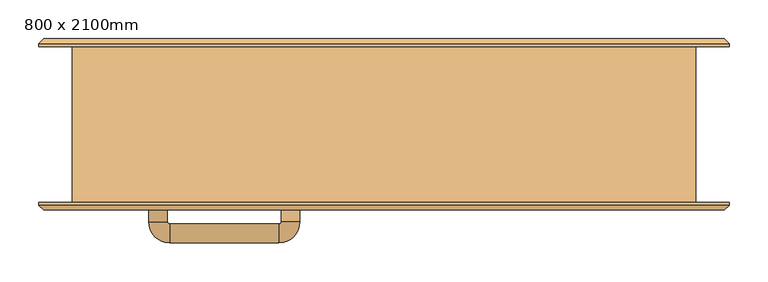
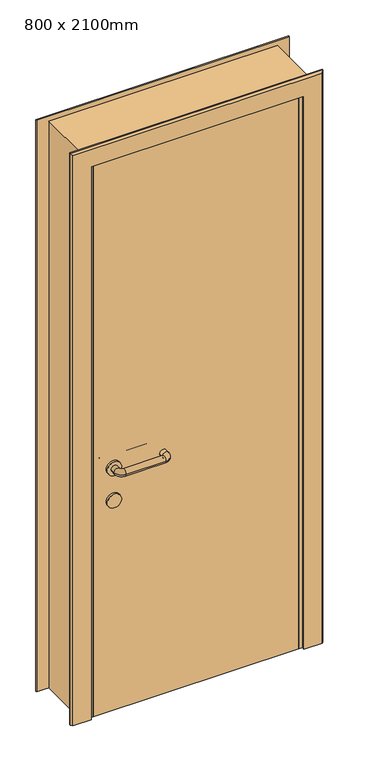
"""IFC4 building model written with IfcOpenShell, lengths in millimetres: door geometry, 800 x 2100mm."""

from ifc_helpers import new_model, si_unit, point, frame, frame_2d, origin, origin_with_axes, place, context, project, spatial, polyline, circle_curve, ellipse_curve, trimmed, segment, composite_curve, outline, extrude, faceted_brep, source, transform, mapped, element, save
from ifc_brep_helpers import plane_surface, cylinder_surface, revolved_surface, advanced_brep


def door_800_x_2100mm_bc8d993b(model_context):
    return source(origin(), model_context, "Body", "SolidModel", [
        advanced_brep(
        [(-278.0, -57.0, 900.0), (-302.0, -57.0, 900.0), (-278.0, -40.0, 900.0), (-302.0, -40.0, 900.0), (-275.0, -13.0, 900.0), (-275.0, -37.0, 900.0), (-135.0, -37.0, 900.0), (-135.0, -13.0, 900.0), (-108.0, -40.0, 900.0), (-132.0, -40.0, 900.0), (-132.0, -55.0, 900.0), (-108.0, -55.0, 900.0)],
        [
            (0, 1, circle_curve(frame((-290.0, -57.0, 900.0), z_axis=(0.0, -1.0, 0.0), x_axis=(-1.0, 0.0, 0.0)), 12.0)),
            (1, 0, circle_curve(frame((-290.0, -57.0, 900.0), z_axis=(0.0, -1.0, 0.0), x_axis=(-1.0, 0.0, 0.0)), 12.0)),
            (0, 2),
            (2, 3, circle_curve(frame((-290.0, -40.0, 900.0), z_axis=(0.0, -1.0, 0.0), x_axis=(-1.0, 0.0, 0.0)), 12.0)),
            (3, 1),
            (3, 2, circle_curve(frame((-290.0, -40.0, 900.0), z_axis=(0.0, -1.0, 0.0), x_axis=(-1.0, 0.0, 0.0)), 12.0)),
            (4, 3, circle_curve(frame((-275.0, -40.0, 900.0), z_axis=(0.0, 0.0, 1.0), x_axis=(-1.0, 0.0, 0.0)), 27.0)),
            (2, 5, circle_curve(frame((-275.0, -40.0, 900.0), z_axis=(0.0, 0.0, -1.0), x_axis=(-1.0, 0.0, 0.0)), 3.0)),
            (5, 4, circle_curve(frame((-275.0, -25.0, 900.0), z_axis=(-1.0, 0.0, 0.0), x_axis=(0.0, 1.0, 0.0)), 12.0)),
            (4, 5, circle_curve(frame((-275.0, -25.0, 900.0), z_axis=(-1.0, 0.0, 0.0), x_axis=(0.0, 1.0, 0.0)), 12.0)),
            (5, 6),
            (6, 7, circle_curve(frame((-135.0, -25.0, 900.0), z_axis=(-1.0, 0.0, 0.0), x_axis=(0.0, 1.0, 0.0)), 12.0)),
            (7, 4),
            (7, 6, circle_curve(frame((-135.0, -25.0, 900.0), z_axis=(-1.0, 0.0, 0.0), x_axis=(0.0, 1.0, 0.0)), 12.0)),
            (8, 7, circle_curve(frame((-135.0, -40.0, 900.0), z_axis=(0.0, 0.0, 1.0), x_axis=(0.0, 1.0, 0.0)), 27.0)),
            (6, 9, circle_curve(frame((-135.0, -40.0, 900.0), z_axis=(0.0, 0.0, -1.0), x_axis=(0.0, 1.0, 0.0)), 3.0)),
            (9, 8, circle_curve(frame((-120.0, -40.0, 900.0), z_axis=(0.0, 1.0, 0.0), x_axis=(1.0, 0.0, 0.0)), 12.0)),
            (8, 9, circle_curve(frame((-120.0, -40.0, 900.0), z_axis=(0.0, 1.0, 0.0), x_axis=(1.0, 0.0, 0.0)), 12.0)),
            (10, 11, circle_curve(frame((-120.0, -55.0, 900.0), z_axis=(0.0, -1.0, 0.0), x_axis=(1.0, 0.0, 0.0)), 12.0)),
            (11, 10, circle_curve(frame((-120.0, -55.0, 900.0), z_axis=(0.0, -1.0, 0.0), x_axis=(1.0, 0.0, 0.0)), 12.0)),
            (9, 10),
            (11, 8),
        ],
        [
            plane_surface(frame((-1132.0, -57.0, 1730.0), z_axis=(0.0, -1.0, 0.0), x_axis=(0.0, 0.0, 1.0))),
            cylinder_surface(frame((-290.0, -57.0, 900.0), z_axis=(0.0, -1.0, 0.0), x_axis=(-1.0, 0.0, 0.0)), 12.0),
            revolved_surface(trimmed(ellipse_curve(frame((-290.0, -40.0, 900.0), z_axis=(0.0, -1.0, 0.0), x_axis=(-1.0, 0.0, 0.0)), 12.0, 12.0), [point((-278.0, -40.0, 900.0))], [point((-302.0, -40.0, 900.0))], True, "CARTESIAN"), (-275.0, -40.0, 1730.0), (0.0, 0.0, -1.0)),
            revolved_surface(trimmed(ellipse_curve(frame((-290.0, -40.0, 900.0), z_axis=(0.0, -1.0, 0.0), x_axis=(-1.0, 0.0, 0.0)), 12.0, 12.0), [point((-302.0, -40.0, 900.0))], [point((-278.0, -40.0, 900.0))], True, "CARTESIAN"), (-275.0, -40.0, 1730.0), (0.0, 0.0, -1.0)),
            cylinder_surface(frame((-275.0, -25.0, 900.0), z_axis=(-1.0, 0.0, 0.0), x_axis=(0.0, 1.0, 0.0)), 12.0),
            revolved_surface(trimmed(ellipse_curve(frame((-135.0, -25.0, 900.0), z_axis=(-1.0, 0.0, 0.0), x_axis=(0.0, 1.0, 0.0)), 12.0, 12.0), [point((-135.0, -37.0, 900.0))], [point((-135.0, -13.0, 900.0))], True, "CARTESIAN"), (-135.0, -40.0, 1730.0), (0.0, 0.0, -1.0)),
            revolved_surface(trimmed(ellipse_curve(frame((-135.0, -25.0, 900.0), z_axis=(-1.0, 0.0, 0.0), x_axis=(0.0, 1.0, 0.0)), 12.0, 12.0), [point((-135.0, -13.0, 900.0))], [point((-135.0, -37.0, 900.0))], True, "CARTESIAN"), (-135.0, -40.0, 1730.0), (0.0, 0.0, -1.0)),
            plane_surface(frame((-962.0, -55.0, 1730.0), z_axis=(0.0, -1.0, 0.0), x_axis=(0.0, 0.0, -1.0))),
            cylinder_surface(frame((-120.0, -40.0, 900.0), z_axis=(0.0, 1.0, 0.0), x_axis=(1.0, 0.0, 0.0)), 12.0),
        ],
        [
            (0, [[1, 2]]),
            (1, [[-1, 3, 4, 5]]),
            (1, [[-2, -5, 6, -3]]),
            (2, [[7, -4, 8, 9]]),
            (3, [[-8, -6, -7, 10]]),
            (4, [[-9, 11, 12, 13]]),
            (4, [[-10, -13, 14, -11]]),
            (5, [[15, -12, 16, 17]]),
            (6, [[-16, -14, -15, 18]]),
            (7, [[19, 20]]),
            (8, [[-17, 21, -20, 22]]),
            (8, [[-18, -22, -19, -21]]),
        ],
    ),
        extrude(outline(composite_curve([segment(trimmed(circle_curve(frame_2d((780.0, -290.0)), 25.0), [point((780.0, -315.0))], [point((780.0, -265.0))], False, "CARTESIAN"), True, "CONTINUOUS"), segment(trimmed(circle_curve(frame_2d((780.0, -290.0)), 25.0), [point((780.0, -265.0))], [point((780.0, -315.0))], False, "CARTESIAN"), True, "CONTINUOUS")], self_intersect=False)), frame((0.0, -65.0, 0.0), z_axis=(0.0, 1.0, 0.0), x_axis=(0.0, 0.0, 1.0)), (0.0, 0.0, 1.0), 8.0),
        extrude(outline(composite_curve([segment(trimmed(circle_curve(frame_2d((900.0, -290.0)), 25.0), [point((900.0, -315.0))], [point((900.0, -265.0))], False, "CARTESIAN"), True, "CONTINUOUS"), segment(trimmed(circle_curve(frame_2d((900.0, -290.0)), 25.0), [point((900.0, -265.0))], [point((900.0, -315.0))], False, "CARTESIAN"), True, "CONTINUOUS")], self_intersect=False)), frame((0.0, -65.0, 0.0), z_axis=(0.0, 1.0, 0.0), x_axis=(0.0, 0.0, 1.0)), (0.0, 0.0, 1.0), 8.0),
        advanced_brep(
        [(-302.0, -108.0, 900.0), (-278.0, -108.0, 900.0), (-302.0, -125.0, 900.0), (-278.0, -125.0, 900.0), (-275.0, -128.0, 900.0), (-275.0, -152.0, 900.0), (-135.0, -152.0, 900.0), (-135.0, -128.0, 900.0), (-132.0, -125.0, 900.0), (-108.0, -125.0, 900.0), (-108.0, -110.0, 900.0), (-132.0, -110.0, 900.0)],
        [
            (0, 1, circle_curve(frame((-290.0, -108.0, 900.0), z_axis=(0.0, 1.0, 0.0), x_axis=(1.0, 0.0, 0.0)), 12.0)),
            (1, 0, circle_curve(frame((-290.0, -108.0, 900.0), z_axis=(0.0, 1.0, 0.0), x_axis=(1.0, 0.0, 0.0)), 12.0)),
            (0, 2),
            (2, 3, circle_curve(frame((-290.0, -125.0, 900.0), z_axis=(0.0, 1.0, 0.0), x_axis=(1.0, 0.0, 0.0)), 12.0)),
            (3, 1),
            (3, 2, circle_curve(frame((-290.0, -125.0, 900.0), z_axis=(0.0, 1.0, 0.0), x_axis=(1.0, 0.0, 0.0)), 12.0)),
            (4, 3, circle_curve(frame((-275.0, -125.0, 900.0), z_axis=(0.0, 0.0, -1.0), x_axis=(-1.0, 0.0, 0.0)), 3.0)),
            (2, 5, circle_curve(frame((-275.0, -125.0, 900.0), z_axis=(0.0, 0.0, 1.0), x_axis=(-1.0, 0.0, 0.0)), 27.0)),
            (5, 4, circle_curve(frame((-275.0, -140.0, 900.0), z_axis=(-1.0, 0.0, 0.0), x_axis=(0.0, 1.0, 0.0)), 12.0)),
            (4, 5, circle_curve(frame((-275.0, -140.0, 900.0), z_axis=(-1.0, 0.0, 0.0), x_axis=(0.0, 1.0, 0.0)), 12.0)),
            (5, 6),
            (6, 7, circle_curve(frame((-135.0, -140.0, 900.0), z_axis=(-1.0, 0.0, 0.0), x_axis=(0.0, 1.0, 0.0)), 12.0)),
            (7, 4),
            (7, 6, circle_curve(frame((-135.0, -140.0, 900.0), z_axis=(-1.0, 0.0, 0.0), x_axis=(0.0, 1.0, 0.0)), 12.0)),
            (8, 7, circle_curve(frame((-135.0, -125.0, 900.0), z_axis=(0.0, 0.0, -1.0), x_axis=(0.0, -1.0, 0.0)), 3.0)),
            (6, 9, circle_curve(frame((-135.0, -125.0, 900.0), z_axis=(0.0, 0.0, 1.0), x_axis=(0.0, -1.0, 0.0)), 27.0)),
            (9, 8, circle_curve(frame((-120.0, -125.0, 900.0), z_axis=(0.0, -1.0, 0.0), x_axis=(-1.0, 0.0, 0.0)), 12.0)),
            (8, 9, circle_curve(frame((-120.0, -125.0, 900.0), z_axis=(0.0, -1.0, 0.0), x_axis=(-1.0, 0.0, 0.0)), 12.0)),
            (10, 11, circle_curve(frame((-120.0, -110.0, 900.0), z_axis=(0.0, 1.0, 0.0), x_axis=(-1.0, 0.0, 0.0)), 12.0)),
            (11, 10, circle_curve(frame((-120.0, -110.0, 900.0), z_axis=(0.0, 1.0, 0.0), x_axis=(-1.0, 0.0, 0.0)), 12.0)),
            (9, 10),
            (11, 8),
        ],
        [
            plane_surface(frame((-1132.0, -108.0, 1730.0), z_axis=(0.0, 1.0, 0.0), x_axis=(0.0, 0.0, -1.0))),
            cylinder_surface(frame((-290.0, -108.0, 900.0), z_axis=(0.0, 1.0, 0.0), x_axis=(1.0, 0.0, 0.0)), 12.0),
            revolved_surface(trimmed(ellipse_curve(frame((-290.0, -125.0, 900.0), z_axis=(0.0, 1.0, 0.0), x_axis=(1.0, 0.0, 0.0)), 12.0, 12.0), [point((-302.0, -125.0, 900.0))], [point((-278.0, -125.0, 900.0))], True, "CARTESIAN"), (-275.0, -125.0, 1730.0), (0.0, 0.0, 1.0)),
            revolved_surface(trimmed(ellipse_curve(frame((-290.0, -125.0, 900.0), z_axis=(0.0, 1.0, 0.0), x_axis=(1.0, 0.0, 0.0)), 12.0, 12.0), [point((-278.0, -125.0, 900.0))], [point((-302.0, -125.0, 900.0))], True, "CARTESIAN"), (-275.0, -125.0, 1730.0), (0.0, 0.0, 1.0)),
            cylinder_surface(frame((-275.0, -140.0, 900.0), z_axis=(-1.0, 0.0, 0.0), x_axis=(0.0, 1.0, 0.0)), 12.0),
            revolved_surface(trimmed(ellipse_curve(frame((-135.0, -140.0, 900.0), z_axis=(-1.0, 0.0, 0.0), x_axis=(0.0, 1.0, 0.0)), 12.0, 12.0), [point((-135.0, -152.0, 900.0))], [point((-135.0, -128.0, 900.0))], True, "CARTESIAN"), (-135.0, -125.0, 1730.0), (0.0, 0.0, 1.0)),
            revolved_surface(trimmed(ellipse_curve(frame((-135.0, -140.0, 900.0), z_axis=(-1.0, 0.0, 0.0), x_axis=(0.0, 1.0, 0.0)), 12.0, 12.0), [point((-135.0, -128.0, 900.0))], [point((-135.0, -152.0, 900.0))], True, "CARTESIAN"), (-135.0, -125.0, 1730.0), (0.0, 0.0, 1.0)),
            plane_surface(frame((-962.0, -110.0, 1730.0), z_axis=(0.0, 1.0, 0.0), x_axis=(0.0, 0.0, 1.0))),
            cylinder_surface(frame((-120.0, -125.0, 900.0), z_axis=(0.0, -1.0, 0.0), x_axis=(-1.0, 0.0, 0.0)), 12.0),
        ],
        [
            (0, [[1, 2]]),
            (1, [[-1, 3, 4, 5]]),
            (1, [[-2, -5, 6, -3]]),
            (2, [[7, -4, 8, 9]]),
            (3, [[-8, -6, -7, 10]]),
            (4, [[-9, 11, 12, 13]]),
            (4, [[-10, -13, 14, -11]]),
            (5, [[15, -12, 16, 17]]),
            (6, [[-16, -14, -15, 18]]),
            (7, [[19, 20]]),
            (8, [[-17, 21, -20, 22]]),
            (8, [[-18, -22, -19, -21]]),
        ],
    ),
        extrude(outline(composite_curve([segment(trimmed(circle_curve(frame_2d((780.0, -290.0)), 25.0), [point((780.0, -315.0))], [point((780.0, -265.0))], False, "CARTESIAN"), True, "CONTINUOUS"), segment(trimmed(circle_curve(frame_2d((780.0, -290.0)), 25.0), [point((780.0, -265.0))], [point((780.0, -315.0))], False, "CARTESIAN"), True, "CONTINUOUS")], self_intersect=False)), frame((0.0, -108.0, 0.0), z_axis=(0.0, 1.0, 0.0), x_axis=(0.0, 0.0, 1.0)), (0.0, 0.0, 1.0), 8.0),
        extrude(outline(composite_curve([segment(trimmed(circle_curve(frame_2d((900.0, -290.0)), 25.0), [point((900.0, -315.0))], [point((900.0, -265.0))], False, "CARTESIAN"), True, "CONTINUOUS"), segment(trimmed(circle_curve(frame_2d((900.0, -290.0)), 25.0), [point((900.0, -265.0))], [point((900.0, -315.0))], False, "CARTESIAN"), True, "CONTINUOUS")], self_intersect=False)), frame((0.0, -108.0, 0.0), z_axis=(0.0, 1.0, 0.0), x_axis=(0.0, 0.0, 1.0)), (0.0, 0.0, 1.0), 8.0),
        extrude(outline(polyline([(360.0, -65.0), (360.0, -100.0), (-360.0, -100.0), (-360.0, -65.0), (360.0, -65.0)])), origin_with_axes(), (0.0, 0.0, 1.0), 2060.0),
        faceted_brep([(443.0, 104.0, 0.0), (443.0, 100.0, 0.0), (373.0, 100.0, 0.0), (373.0, 110.0, 0.0), (437.0, 110.0, 0.0), (443.0, 104.0, 2118.0), (443.0, 100.0, 2118.0), (-443.0, 100.0, 2118.0), (-443.0, 100.0, 0.0), (-373.0, 100.0, 0.0), (-373.0, 100.0, 2048.0), (373.0, 100.0, 2048.0), (373.0, 110.0, 2048.0), (-373.0, 110.0, 2048.0), (-373.0, 110.0, 0.0), (-437.0, 110.0, 0.0), (-437.0, 110.0, 2112.0), (437.0, 110.0, 2112.0), (-443.0, 104.0, 0.0), (-443.0, 104.0, 2118.0)], [[[0, 1, 2, 3, 4]], [[1, 0, 5, 6]], [[2, 1, 6, 7, 8, 9, 10, 11]], [[3, 2, 11, 12]], [[4, 3, 12, 13, 14, 15, 16, 17]], [[0, 4, 17, 5]], [[18, 15, 14, 9, 8]], [[19, 16, 15, 18]], [[13, 10, 9, 14]], [[7, 19, 18, 8]], [[5, 17, 16, 19]], [[12, 11, 10, 13]], [[6, 5, 19, 7]]]),
        faceted_brep([(443.0, -104.0, 0.0), (437.0, -110.0, 0.0), (373.0, -110.0, 0.0), (373.0, -100.0, 0.0), (443.0, -100.0, 0.0), (443.0, -104.0, 2118.0), (437.0, -110.0, 2112.0), (-437.0, -110.0, 2112.0), (-437.0, -110.0, 0.0), (-373.0, -110.0, 0.0), (-373.0, -110.0, 2048.0), (373.0, -110.0, 2048.0), (373.0, -100.0, 2048.0), (-373.0, -100.0, 2048.0), (-373.0, -100.0, 0.0), (-443.0, -100.0, 0.0), (-443.0, -100.0, 2118.0), (443.0, -100.0, 2118.0), (-443.0, -104.0, 2118.0), (-443.0, -104.0, 0.0)], [[[0, 1, 2, 3, 4]], [[1, 0, 5, 6]], [[2, 1, 6, 7, 8, 9, 10, 11]], [[3, 2, 11, 12]], [[4, 3, 12, 13, 14, 15, 16, 17]], [[0, 4, 17, 5]], [[7, 18, 19, 8]], [[19, 15, 14, 9, 8]], [[13, 10, 9, 14]], [[18, 16, 15, 19]], [[6, 5, 18, 7]], [[12, 11, 10, 13]], [[5, 17, 16, 18]]]),
        faceted_brep([(400.0, 100.0, 0.0), (400.0, -100.0, 0.0), (360.0, -100.0, 0.0), (360.0, -65.0, 0.0), (350.0, -65.0, 0.0), (350.0, 100.0, 0.0), (400.0, 100.0, 2100.0), (400.0, -100.0, 2100.0), (-400.0, -100.0, 2100.0), (-400.0, -100.0, 0.0), (-360.0, -100.0, 0.0), (-360.0, -100.0, 2060.0), (360.0, -100.0, 2060.0), (360.0, -65.0, 2060.0), (-360.0, -65.0, 2060.0), (-360.0, -65.0, 0.0), (-350.0, -65.0, 0.0), (-350.0, -65.0, 2050.0), (350.0, -65.0, 2050.0), (350.0, 100.0, 2050.0), (-350.0, 100.0, 2050.0), (-350.0, 100.0, 0.0), (-400.0, 100.0, 0.0), (-400.0, 100.0, 2100.0)], [[[0, 1, 2, 3, 4, 5]], [[1, 0, 6, 7]], [[2, 1, 7, 8, 9, 10, 11, 12]], [[3, 2, 12, 13]], [[4, 3, 13, 14, 15, 16, 17, 18]], [[5, 4, 18, 19]], [[0, 5, 19, 20, 21, 22, 23, 6]], [[8, 23, 22, 9]], [[22, 21, 16, 15, 10, 9]], [[14, 11, 10, 15]], [[20, 17, 16, 21]], [[7, 6, 23, 8]], [[13, 12, 11, 14]], [[19, 18, 17, 20]]]),
    ])


if __name__ == "__main__":
    model = new_model("IFC4")
    model_context = context("Model", 3, world=origin())
    ifc_project = project(units=[si_unit("LENGTHUNIT", "METRE", prefix="MILLI")], contexts=[model_context])
    site = spatial("IfcSite", under=ifc_project)
    building = spatial("IfcBuilding", under=site)
    placement = place(None, origin())
    door_800_x_2100mm_shape = door_800_x_2100mm_bc8d993b(model_context)
    element("IfcDoor", 1, ObjectType="800 x 2100mm", at=placement, inside=building, context=model_context, shape_type="MappedRepresentation", body=[
        mapped(door_800_x_2100mm_shape, transform((0.0, 0.0, 0.0), x_axis=(1.0, 0.0, 0.0), y_axis=(0.0, 1.0, 0.0), z_axis=(0.0, 0.0, 1.0))),
    ])
    save(model, "model.ifc")
